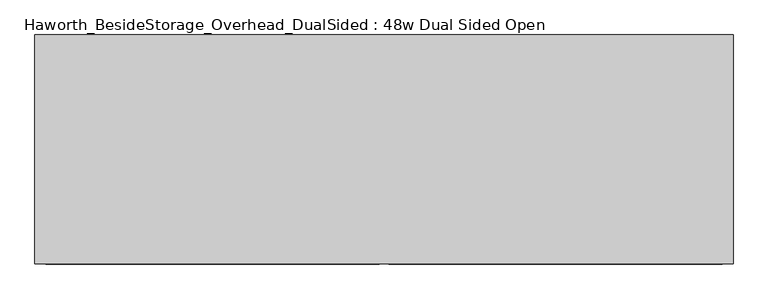
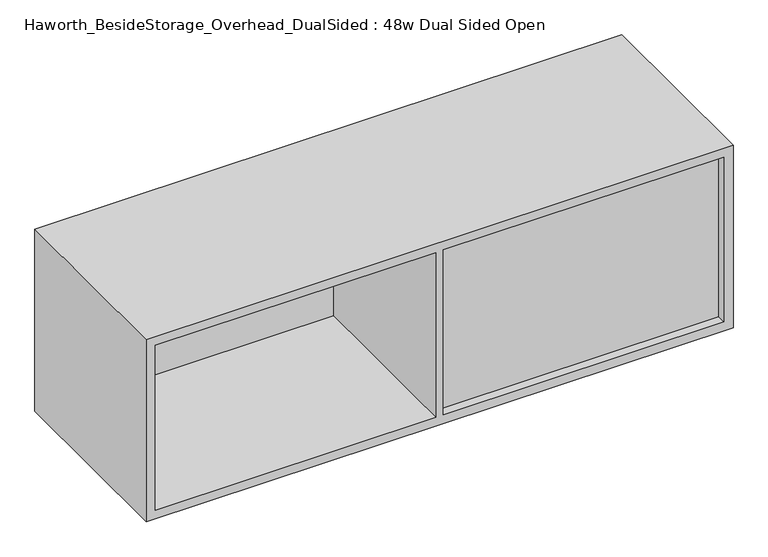
"""IFC4 building model written with IfcOpenShell, lengths in millimetres: furniture geometry, Haworth_BesideStorage_Overhead_DualSided : 48w Dual Sided Open."""

from ifc_helpers import new_model, si_unit, frame, origin, place, context, project, spatial, polyline, outline, extrude, source, transform, mapped, element, save


def haworth_besidestorage_overhead_dualsided_48w_dual_sided_open_fae82161(model_context):
    return source(origin(), model_context, "Body", "SweptSolid", [
        extrude(outline(polyline([(-64.8684159, -371.475), (517.7440841, -371.475), (517.7440841, -384.175), (-64.8684159, -384.175), (-64.8684159, -371.475)])), frame((0.0, 0.0, 781.05), z_axis=(0.0, 0.0, 1.0), x_axis=(1.0, 0.0, 0.0)), (0.0, 0.0, 1.0), 361.95),
        extrude(outline(polyline([(-663.3559159, -22.225), (-80.7434159, -22.225), (-80.7434159, -34.925), (-663.3559159, -34.925), (-663.3559159, -22.225)])), frame((0.0, 0.0, 781.05), z_axis=(0.0, 0.0, 1.0), x_axis=(1.0, 0.0, 0.0)), (0.0, 0.0, 1.0), 361.95),
        extrude(outline(polyline([(762.0, 536.7940841), (1162.05, 536.7940841), (1162.05, -682.4059159), (762.0, -682.4059159), (762.0, 536.7940841)]), holes=[polyline([(1143.0, -80.7434159), (781.05, -80.7434159), (781.05, -663.3559159), (1143.0, -663.3559159), (1143.0, -80.7434159)]), polyline([(781.05, 517.7440841), (781.05, -64.8684159), (1143.0, -64.8684159), (1143.0, 517.7440841), (781.05, 517.7440841)])]), frame((0.0, -403.225, 0.0), z_axis=(0.0, 1.0, 0.0), x_axis=(0.0, 0.0, 1.0)), (0.0, 0.0, 1.0), 400.05),
    ])


if __name__ == "__main__":
    model = new_model("IFC4")
    model_context = context("Model", 3, world=origin())
    ifc_project = project(units=[si_unit("LENGTHUNIT", "METRE", prefix="MILLI")], contexts=[model_context])
    site = spatial("IfcSite", under=ifc_project)
    building = spatial("IfcBuilding", under=site)
    placement = place(None, origin())
    haworth_besidestorage_overhead_dualsided_48w_dual_sided_open_shape = haworth_besidestorage_overhead_dualsided_48w_dual_sided_open_fae82161(model_context)
    element("IfcFurniture", 1, ObjectType="Haworth_BesideStorage_Overhead_DualSided : 48w Dual Sided Open", at=placement, inside=building, context=model_context, shape_type="MappedRepresentation", body=[
        mapped(haworth_besidestorage_overhead_dualsided_48w_dual_sided_open_shape, transform((0.0, 0.0, 0.0), x_axis=(1.0, 0.0, 0.0), y_axis=(0.0, 1.0, 0.0), z_axis=(0.0, 0.0, 1.0))),
    ])
    save(model, "model.ifc")
